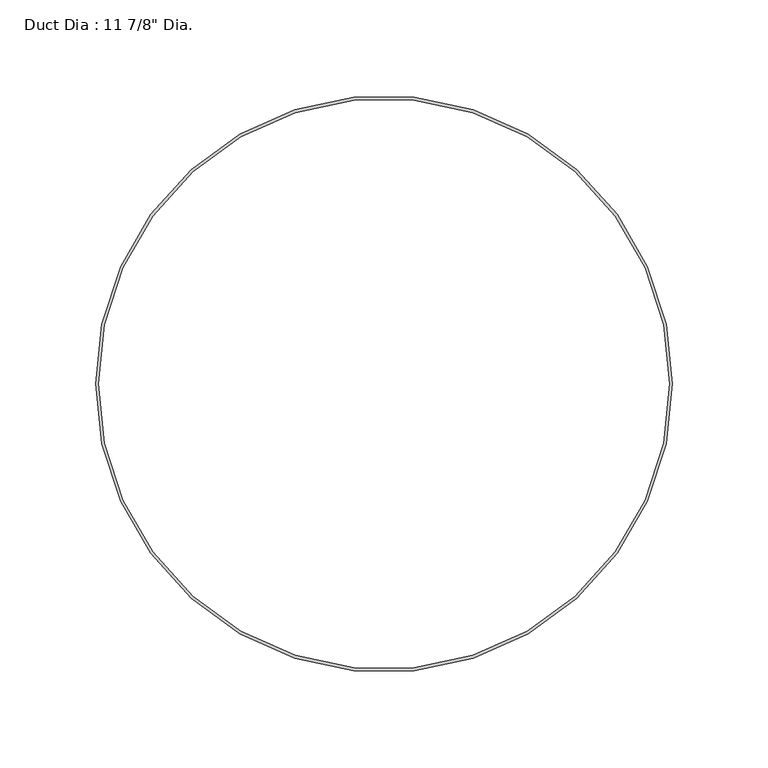
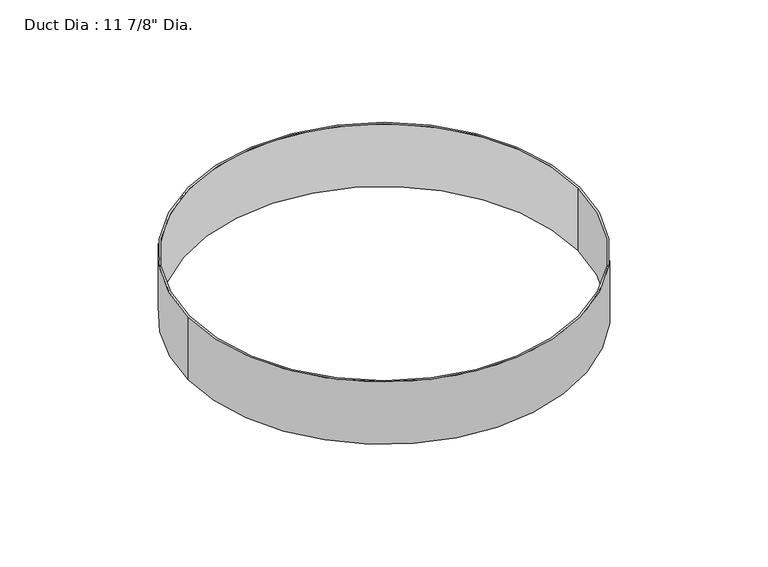
"""IFC4 building model written with IfcOpenShell, lengths in millimetres: proxy geometry."""

from ifc_helpers import new_model, si_unit, point, origin, origin_with_axes, origin_2d, place, context, project, spatial, circle_curve, trimmed, segment, composite_curve, outline, extrude, source, transform, mapped, element, save


def proxy_f96b1d40(model_context):
    return source(origin(), model_context, "Body", "SweptSolid", [
        extrude(outline(composite_curve([segment(trimmed(circle_curve(origin_2d(), 150.8125), [point((-150.8125, 0.0))], [point((150.8125, 0.0))], False, "CARTESIAN"), True, "CONTINUOUS"), segment(trimmed(circle_curve(origin_2d(), 150.8125), [point((150.8125, 0.0))], [point((-150.8125, 0.0))], False, "CARTESIAN"), True, "CONTINUOUS")], self_intersect=False), holes=[composite_curve([segment(trimmed(circle_curve(origin_2d(), 149.225), [point((-149.225, 0.0))], [point((149.225, 0.0))], True, "CARTESIAN"), True, "CONTINUOUS"), segment(trimmed(circle_curve(origin_2d(), 149.225), [point((149.225, 0.0))], [point((-149.225, 0.0))], True, "CARTESIAN"), True, "CONTINUOUS")], self_intersect=False)]), origin_with_axes(), (0.0, 0.0, 1.0), 50.8),
    ])


if __name__ == "__main__":
    model = new_model("IFC4")
    model_context = context("Model", 3, world=origin())
    ifc_project = project(units=[si_unit("LENGTHUNIT", "METRE", prefix="MILLI")], contexts=[model_context])
    site = spatial("IfcSite", under=ifc_project)
    building = spatial("IfcBuilding", under=site)
    placement = place(None, origin())
    proxy_shape = proxy_f96b1d40(model_context)
    element("IfcBuildingElementProxy", 1, Name="Duct Dia : 11 7/8\" Dia.", ObjectType="Duct Dia : 11 7/8\" Dia.", at=placement, inside=building, context=model_context, shape_type="MappedRepresentation", body=[
        mapped(proxy_shape, transform((0.0, 0.0, 0.0), x_axis=(1.0, 0.0, 0.0), y_axis=(0.0, 1.0, 0.0), z_axis=(0.0, 0.0, 1.0))),
    ])
    save(model, "model.ifc")
